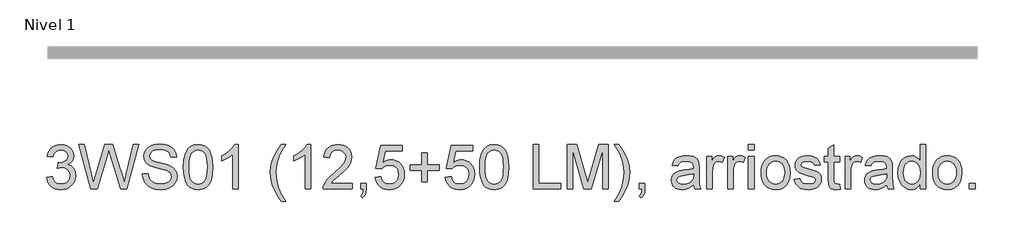
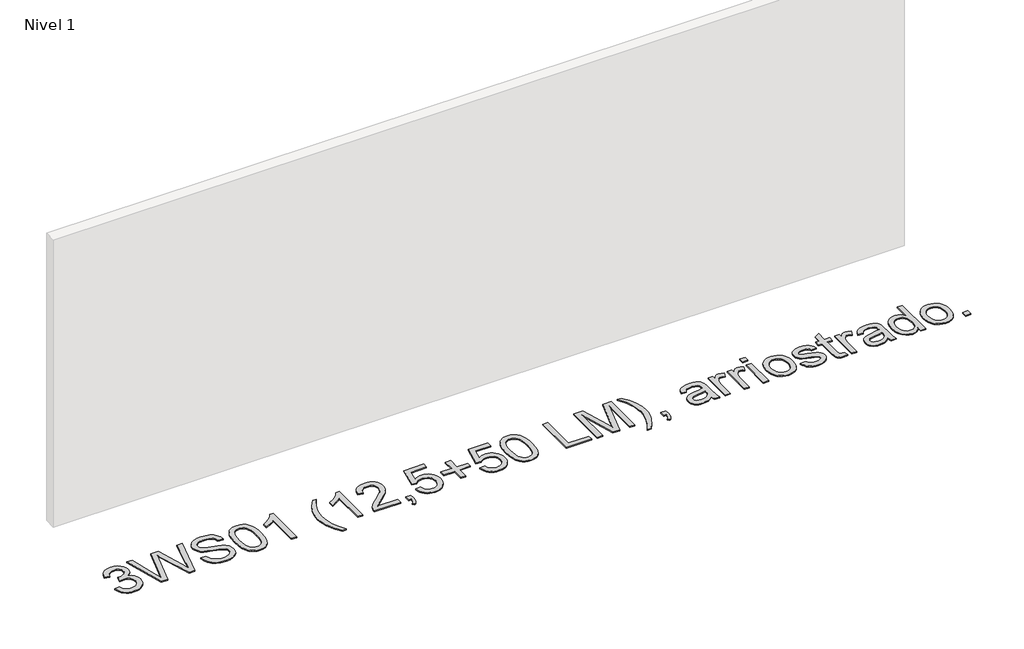
# One storey, part 12 of 13: 1 proxy.
"""IFC4 building model written with IfcOpenShell, lengths in millimetres."""

from ifc_helpers import new_model, si_unit, origin, origin_with_axes, place, context, project, spatial, polyline, outline, extrude, element, save

model = new_model("IFC4")

# Units and contexts
model_context = context("Model", 3, world=origin())
ifc_project = project(units=[si_unit("LENGTHUNIT", "METRE", prefix="MILLI")], contexts=[model_context])

# Site, building, storey
site = spatial("IfcSite", under=ifc_project)
building = spatial("IfcBuilding", under=site)
storey = spatial("IfcBuildingStorey", under=building, Name="Nivel 1", Elevation=0.0)

# Proxy
placement = place(None, origin())
element("IfcBuildingElementProxy", 1, Name="Texto de modelo 1", ObjectType="Texto de modelo 1", at=placement, inside=storey, context=model_context, shape_type="SweptSolid", body=[
    extrude(outline(polyline([(-13487.1652455, 5741.1553765), (-13436.9370905, 5747.4338959), (-13425.6921641, 5715.8696207), (-13409.2233135, 5694.5569905), (-13386.7211981, 5682.4168846), (-13357.3764776, 5678.3701827), (-13322.9427229, 5683.9374636), (-13308.6689015, 5690.8965646), (-13296.3571174, 5700.6393061), (-13279.3609692, 5725.5571799), (-13273.6955865, 5755.7725545), (-13279.3119183, 5784.4550874), (-13296.1609136, 5807.7174922), (-13321.6673986, 5823.1317478), (-13353.2561993, 5828.269833), (-13388.474769, 5822.7761285), (-13382.8829626, 5873.0042836), (-13374.8386097, 5872.4156724), (-13344.7458625, 5876.020916), (-13317.8414259, 5886.8366466), (-13306.7681778, 5895.0158897), (-13298.8587149, 5905.1326445), (-13294.1130372, 5917.1869112), (-13292.5311446, 5931.1786898), (-13297.1174068, 5952.8714648), (-13310.8761934, 5970.4684869), (-13331.8699926, 5982.1303461), (-13358.1612926, 5986.0176325), (-13384.5016434, 5982.0935579), (-13406.0350029, 5970.3213341), (-13421.7558268, 5950.700961), (-13430.6585711, 5923.2324387), (-13480.8867261, 5929.5109581), (-13474.9331692, 5953.4907328), (-13466.0978699, 5974.6132907), (-13454.3808284, 5992.8786317), (-13439.7820446, 6008.286756), (-13422.7613709, 6020.5188323), (-13403.77866, 6029.2560297), (-13382.8339117, 6034.4983481), (-13359.9271261, 6036.2457876), (-13328.3505882, 6032.7999596), (-13299.3492243, 6022.4624755), (-13274.8973343, 6006.1530404), (-13256.9692184, 5984.7913592), (-13245.9695468, 5960.1800537), (-13242.3029895, 5934.1217457), (-13245.7856058, 5909.8415341), (-13256.2334544, 5887.8176653), (-13273.4993827, 5869.0556835), (-13297.4362379, 5854.5611329), (-13265.99459, 5841.8569414), (-13242.695397, 5820.22548), (-13228.2744228, 5790.8439714), (-13223.4674314, 5754.8896377), (-13225.8709271, 5729.4076782), (-13233.0814142, 5705.9368069), (-13245.0988927, 5684.4770238), (-13261.9233626, 5665.028329), (-13282.4205211, 5648.8905722), (-13305.4560654, 5637.363603), (-13331.0299954, 5630.4474215), (-13359.1423112, 5628.1420276), (-13384.5506943, 5630.1101963), (-13407.7027346, 5636.0147023), (-13428.5984319, 5645.8555457), (-13447.2377863, 5659.6327264), (-13462.8666398, 5676.5369041), (-13474.7308341, 5695.7587383), (-13482.8303694, 5717.2982292), (-13487.1652455, 5741.1553765)])), origin_with_axes(), (0.0, 0.0, 1.0), 10.0),
    extrude(outline(polyline([(-13088.7735702, 5634.420547), (-13198.3533539, 6036.2457876), (-13146.5555689, 6036.2457876), (-13082.9855602, 5772.155566), (-13063.3651871, 5690.6329159), (-13042.3713879, 5762.7377869), (-12962.7126732, 6036.2457876), (-12888.0571537, 6036.2457876), (-12830.1770531, 5837.9819177), (-12805.3818066, 5764.4055186), (-12787.1103342, 5690.6329159), (-12768.0785723, 5769.8011212), (-12703.9199523, 6036.2457876), (-12652.1221674, 6036.2457876), (-12761.8000529, 5634.420547), (-12815.4617733, 5634.420547), (-12911.7978051, 5944.4224416), (-12925.2377606, 5987.6853642), (-12940.3454479, 5935.5932737), (-13028.1466174, 5634.420547), (-13088.7735702, 5634.420547)])), origin_with_axes(), (0.0, 0.0, 1.0), 10.0),
    extrude(outline(polyline([(-12620.7295705, 5772.5479735), (-12570.5014154, 5772.5479735), (-12564.7379308, 5744.674781), (-12554.3146076, 5722.2707675), (-12538.0542234, 5704.4898044), (-12514.7795559, 5690.4857631), (-12486.3300149, 5681.3990778), (-12454.5450105, 5678.3701827), (-12426.5614534, 5680.6633138), (-12402.0605126, 5687.5427071), (-12382.2071476, 5698.4320142), (-12368.1663181, 5712.7548865), (-12359.8153968, 5729.1992117), (-12357.0317563, 5746.4528773), (-12359.116421, 5763.2650845), (-12365.3704149, 5777.7964233), (-12378.0746065, 5790.1940465), (-12399.5098641, 5800.605107), (-12472.6448047, 5819.7840216), (-12520.6534051, 5832.4759505), (-12551.3715517, 5844.5547427), (-12576.3752646, 5861.452789), (-12594.094914, 5881.9315534), (-12604.6531273, 5905.5495775), (-12608.1725317, 5931.8654028), (-12603.8192614, 5961.2836997), (-12590.7594506, 5988.7154338), (-12569.3364558, 6011.9655759), (-12539.8936334, 6028.8390968), (-12504.5524364, 6039.1030044), (-12465.4343176, 6042.524307), (-12423.0543117, 6038.9435889), (-12385.9718066, 6028.2014346), (-12355.5111774, 6010.5185734), (-12332.9967993, 5986.1157344), (-12318.7475034, 5956.5134965), (-12313.0821207, 5923.2324387), (-12363.3102757, 5923.2324387), (-12372.5318511, 5953.2025586), (-12380.8950351, 5965.0606215), (-12391.7598167, 5974.8340199), (-12421.803513, 5987.9306189), (-12463.4722803, 5992.2961519), (-12506.1220663, 5987.9796698), (-12522.42537, 5982.5840672), (-12535.3809476, 5975.0302236), (-12552.3035194, 5955.9739363), (-12557.9443766, 5933.3369308), (-12553.9467256, 5914.0353888), (-12541.9537726, 5898.5107686), (-12513.6023335, 5884.6293547), (-12459.9406131, 5870.4536351), (-12404.5621101, 5856.9891541), (-12371.0603231, 5845.2414557), (-12342.4268411, 5827.0190342), (-12322.4508488, 5804.5291816), (-12310.7154132, 5778.0171525), (-12306.8036013, 5747.7282015), (-12311.3040243, 5716.7648003), (-12324.8052936, 5687.640809), (-12346.755586, 5662.5757824), (-12376.6030785, 5643.7892752), (-12412.4960985, 5632.0538395), (-12452.5829732, 5628.1420276), (-12501.7933215, 5632.3604078), (-12542.2971291, 5645.0155485), (-12574.5603801, 5666.1565005), (-12599.0490582, 5695.8323147), (-12614.7698822, 5731.9828521), (-12620.7295705, 5772.5479735)])), origin_with_axes(), (0.0, 0.0, 1.0), 10.0),
    extrude(outline(polyline([(-12250.2969268, 5832.0958057), (-12246.6058441, 5896.4138412), (-12235.5325961, 5947.7088541), (-12217.1875472, 5986.7656593), (-12205.3294843, 6001.9990395), (-12191.6810622, 6014.3690716), (-12176.1962959, 6023.9401349), (-12158.8292001, 6030.7766086), (-12118.4480197, 6036.2457876), (-12087.4968812, 6033.008426), (-12059.7831042, 6023.2963414), (-12036.6065385, 6007.4896783), (-12019.2670338, 5985.9685816), (-12006.1704348, 5958.9169922), (-11995.7225862, 5926.5188512), (-11988.879981, 5885.3773814), (-11986.5991127, 5832.0958057), (-11990.2534072, 5768.1456523), (-12001.2162906, 5716.9732667), (-12019.4509748, 5677.8796734), (-12031.2814467, 5662.6003078), (-12044.9206716, 5650.1658964), (-12060.4238321, 5640.5304538), (-12077.8461102, 5633.6479948), (-12118.4480197, 5628.1420276), (-12146.1127458, 5630.5332606), (-12170.6382121, 5637.7069595), (-12192.0244188, 5649.6631243), (-12210.2713657, 5666.4017551), (-12227.7825487, 5696.6600492), (-12240.2905365, 5734.3618224), (-12247.7953292, 5779.5070745), (-12250.2969268, 5832.0958057)]), holes=[polyline([(-12200.0687717, 5832.1939076), (-12198.5972438, 5788.5293805), (-12194.1826598, 5753.1851178), (-12186.8250199, 5726.1611196), (-12176.524324, 5707.4573858), (-12164.0653871, 5694.7317344), (-12150.2330241, 5685.6419835), (-12135.027235, 5680.1881329), (-12118.4480197, 5678.3701827), (-12101.8688045, 5680.1942643), (-12086.6630154, 5685.6665089), (-12072.8306523, 5694.7869167), (-12060.3717154, 5707.5554876), (-12050.0710196, 5726.2898783), (-12042.7133797, 5753.3077451), (-12038.2987957, 5788.6090882), (-12036.8272677, 5832.1939076), (-12038.2497448, 5874.7026722), (-12042.5171759, 5909.4246011), (-12049.6295612, 5936.3596945), (-12059.5869005, 5955.5079524), (-12071.837371, 5968.8559375), (-12085.8291495, 5978.3902125), (-12101.5622362, 5984.1107775), (-12119.0366309, 5986.0176325), (-12135.5300071, 5984.3376381), (-12150.4782788, 5979.2976548), (-12163.8814461, 5970.8976825), (-12175.7395091, 5959.1377214), (-12186.3835615, 5938.291075), (-12193.9864561, 5910.1848906), (-12198.5481928, 5874.8191681), (-12200.0687717, 5832.1939076)])]), origin_with_axes(), (0.0, 0.0, 1.0), 10.0),
    extrude(outline(polyline([(-11754.2938955, 5634.420547), (-11804.5220505, 5634.420547), (-11804.5220505, 5947.5617013), (-11825.4913243, 5930.6023413), (-11852.1014552, 5913.6675068), (-11904.9783607, 5888.3081746), (-11904.9783607, 5935.7894775), (-11865.5291481, 5957.2492605), (-11831.3529107, 5982.780271), (-11804.4116859, 6009.9299622), (-11786.667511, 6036.2457876), (-11754.2938955, 6036.2457876), (-11754.2938955, 5634.420547)])), origin_with_axes(), (0.0, 0.0, 1.0), 10.0),
    extrude(outline(polyline([(-11365.0256936, 5521.4071981), (-11403.9476087, 5576.0254116), (-11436.3457498, 5639.2275384), (-11449.0928609, 5673.2811484), (-11458.1979403, 5707.9478951), (-11463.6609879, 5743.2277784), (-11465.4820038, 5779.1207984), (-11460.0373502, 5841.5381103), (-11443.7033897, 5901.2576208), (-11411.2807231, 5968.898857), (-11365.0256936, 6036.2457876), (-11327.3545773, 6036.2457876), (-11374.3453708, 5956.6851748), (-11390.3850258, 5918.9159566), (-11402.5987081, 5879.5771086), (-11412.0900635, 5829.3244281), (-11415.2538487, 5778.8264928), (-11409.7601442, 5714.434881), (-11393.2790309, 5650.0677945), (-11365.8105085, 5585.7252336), (-11327.3545773, 5521.4071981), (-11365.0256936, 5521.4071981)])), origin_with_axes(), (0.0, 0.0, 1.0), 10.0),
    extrude(outline(polyline([(-11101.3278795, 5634.420547), (-11151.5560346, 5634.420547), (-11151.5560346, 5947.5617013), (-11172.5253083, 5930.6023413), (-11199.1354393, 5913.6675068), (-11252.0123447, 5888.3081746), (-11252.0123447, 5935.7894775), (-11212.5631321, 5957.2492605), (-11178.3868947, 5982.780271), (-11151.44567, 6009.9299622), (-11133.7014951, 6036.2457876), (-11101.3278795, 6036.2457876), (-11101.3278795, 5634.420547)])), origin_with_axes(), (0.0, 0.0, 1.0), 10.0),
    extrude(outline(polyline([(-10724.6167164, 5684.6487021), (-10724.6167164, 5634.420547), (-10988.3145306, 5634.420547), (-10987.2108846, 5652.1034082), (-10982.918928, 5669.0505055), (-10970.5335675, 5696.1143576), (-10952.4092478, 5722.3688693), (-10926.1915243, 5749.8496544), (-10889.5259521, 5780.5923264), (-10835.3246715, 5828.7358169), (-10802.8039031, 5864.2732176), (-10786.5435189, 5893.115166), (-10781.1233909, 5921.1722995), (-10786.2369506, 5946.3231653), (-10801.5776298, 5967.2311253), (-10825.1588657, 5981.3210057), (-10854.9940955, 5986.0176325), (-10886.3253788, 5981.4313703), (-10910.6669041, 5967.6725837), (-10926.3754653, 5945.8203932), (-10931.8078561, 5916.9539193), (-10982.0360112, 5923.2324387), (-10977.7164634, 5949.161988), (-10969.8591171, 5971.8173875), (-10958.4639723, 5991.1986373), (-10943.531029, 6007.3057373), (-10925.4036437, 6019.9670093), (-10904.4251729, 6029.010775), (-10880.5956167, 6034.4370345), (-10853.914975, 6036.2457876), (-10826.99521, 6034.2346994), (-10803.0368951, 6028.2014346), (-10782.0400302, 6018.1459934), (-10764.0046154, 6004.0683758), (-10749.5192618, 5987.0109139), (-10739.1725807, 5968.0159402), (-10732.964572, 5947.0834547), (-10730.8952358, 5924.2134573), (-10733.1270532, 5900.1907631), (-10739.8225056, 5876.5850017), (-10751.705094, 5852.5745701), (-10769.4983198, 5827.3378653), (-10797.8620217, 5797.2083299), (-10841.4560381, 5758.5194067), (-10899.2380368, 5710.204238), (-10921.8995677, 5684.6487021), (-10724.6167164, 5684.6487021)])), origin_with_axes(), (0.0, 0.0, 1.0), 10.0),
    extrude(outline(polyline([(-10649.2744838, 5634.420547), (-10649.2744838, 5684.6487021), (-10599.0463287, 5684.6487021), (-10599.0463287, 5634.420547), (-10601.3026716, 5605.6889632), (-10608.0717003, 5583.0642205), (-10619.7458223, 5565.712453), (-10636.717445, 5552.799795), (-10649.2744838, 5571.6353532), (-10638.3851767, 5580.7343012), (-10630.8313331, 5593.3158654), (-10626.2450709, 5610.753472), (-10624.2585081, 5634.420547), (-10649.2744838, 5634.420547)])), origin_with_axes(), (0.0, 0.0, 1.0), 10.0),
    extrude(outline(polyline([(-10517.4255767, 5741.1553765), (-10467.1974217, 5747.4338959), (-10457.9758463, 5717.2798351), (-10441.8871404, 5695.6851619), (-10419.0048803, 5682.6989275), (-10389.4026424, 5678.3701827), (-10370.2727787, 5679.8754332), (-10353.3992578, 5684.3911847), (-10338.7820799, 5691.9174372), (-10326.4212448, 5702.4541906), (-10316.5926642, 5715.480279), (-10309.5722495, 5730.4745359), (-10303.9559177, 5766.3675559), (-10309.2166302, 5800.1636486), (-10315.7925209, 5814.0818507), (-10324.9987678, 5826.0134901), (-10336.8660278, 5835.5845533), (-10351.4249578, 5842.4210271), (-10388.6178275, 5847.8902061), (-10412.9838783, 5845.7074396), (-10432.714616, 5839.1591401), (-10448.4722281, 5829.1282243), (-10460.9189023, 5816.4976092), (-10511.1470573, 5822.7761285), (-10467.1974217, 6029.9672682), (-10272.5633207, 6029.9672682), (-10272.5633207, 5979.7391131), (-10426.5832494, 5979.7391131), (-10448.0675579, 5869.080209), (-10430.3417771, 5881.7844006), (-10412.1868006, 5890.8588231), (-10393.6026285, 5896.3034766), (-10374.5892607, 5898.1183612), (-10350.1281737, 5895.8681496), (-10327.6597809, 5889.117515), (-10307.1840822, 5877.8664573), (-10288.7010776, 5862.1149766), (-10273.4002523, 5842.8256973), (-10262.4710913, 5820.961244), (-10255.9135948, 5796.5216168), (-10253.7277626, 5769.5068156), (-10255.6959313, 5743.4852958), (-10261.6004373, 5719.2786606), (-10271.4412807, 5696.8869098), (-10285.2184614, 5676.3100435), (-10306.0896332, 5655.2365366), (-10330.4434213, 5640.1840316), (-10358.2798256, 5631.1525286), (-10389.5988461, 5628.1420276), (-10415.5191984, 5630.0764738), (-10438.9318217, 5635.8798123), (-10459.8367161, 5645.552043), (-10478.2338815, 5659.0931662), (-10493.5408382, 5675.8287312), (-10505.1751063, 5695.084288), (-10513.1366858, 5716.8598364), (-10517.4255767, 5741.1553765)])), origin_with_axes(), (0.0, 0.0, 1.0), 10.0),
    extrude(outline(polyline([(-10096.764778, 5697.2057409), (-10096.764778, 5803.9405704), (-10203.4996075, 5803.9405704), (-10203.4996075, 5854.1687255), (-10096.764778, 5854.1687255), (-10096.764778, 5960.903555), (-10046.5366229, 5960.903555), (-10046.5366229, 5854.1687255), (-9939.8017934, 5854.1687255), (-9939.8017934, 5803.9405704), (-10046.5366229, 5803.9405704), (-10046.5366229, 5697.2057409), (-10096.764778, 5697.2057409)])), origin_with_axes(), (0.0, 0.0, 1.0), 10.0),
    extrude(outline(polyline([(-9883.2951189, 5741.1553765), (-9833.0669638, 5747.4338959), (-9823.8453885, 5717.2798351), (-9807.7566826, 5695.6851619), (-9784.8744225, 5682.6989275), (-9755.2721846, 5678.3701827), (-9736.1423208, 5679.8754332), (-9719.2688, 5684.3911847), (-9704.6516221, 5691.9174372), (-9692.290787, 5702.4541906), (-9682.4622064, 5715.480279), (-9675.4417916, 5730.4745359), (-9669.8254598, 5766.3675559), (-9675.0861724, 5800.1636486), (-9681.662063, 5814.0818507), (-9690.86831, 5826.0134901), (-9702.73557, 5835.5845533), (-9717.2945, 5842.4210271), (-9754.4873697, 5847.8902061), (-9778.8534205, 5845.7074396), (-9798.5841582, 5839.1591401), (-9814.3417703, 5829.1282243), (-9826.7884445, 5816.4976092), (-9877.0165995, 5822.7761285), (-9833.0669638, 6029.9672682), (-9638.4328629, 6029.9672682), (-9638.4328629, 5979.7391131), (-9792.4527916, 5979.7391131), (-9813.9371001, 5869.080209), (-9796.2113193, 5881.7844006), (-9778.0563428, 5890.8588231), (-9759.4721707, 5896.3034766), (-9740.4588029, 5898.1183612), (-9715.9977159, 5895.8681496), (-9693.5293231, 5889.117515), (-9673.0536244, 5877.8664573), (-9654.5706198, 5862.1149766), (-9639.2697945, 5842.8256973), (-9628.3406335, 5820.961244), (-9621.783137, 5796.5216168), (-9619.5973048, 5769.5068156), (-9621.5654734, 5743.4852958), (-9627.4699795, 5719.2786606), (-9637.3108228, 5696.8869098), (-9651.0880036, 5676.3100435), (-9671.9591754, 5655.2365366), (-9696.3129635, 5640.1840316), (-9724.1493678, 5631.1525286), (-9755.4683883, 5628.1420276), (-9781.3887406, 5630.0764738), (-9804.8013639, 5635.8798123), (-9825.7062583, 5645.552043), (-9844.1034237, 5659.0931662), (-9859.4103804, 5675.8287312), (-9871.0446485, 5695.084288), (-9879.006228, 5716.8598364), (-9883.2951189, 5741.1553765)])), origin_with_axes(), (0.0, 0.0, 1.0), 10.0),
    extrude(outline(polyline([(-9575.6476691, 5832.0958057), (-9571.9565864, 5896.4138412), (-9560.8833383, 5947.7088541), (-9542.5382895, 5986.7656593), (-9530.6802265, 6001.9990395), (-9517.0318045, 6014.3690716), (-9501.5470382, 6023.9401349), (-9484.1799423, 6030.7766086), (-9443.798762, 6036.2457876), (-9412.8476235, 6033.008426), (-9385.1338465, 6023.2963414), (-9361.9572808, 6007.4896783), (-9344.6177761, 5985.9685816), (-9331.5211771, 5958.9169922), (-9321.0733284, 5926.5188512), (-9314.2307233, 5885.3773814), (-9311.9498549, 5832.0958057), (-9315.6041494, 5768.1456523), (-9326.5670329, 5716.9732667), (-9344.8017171, 5677.8796734), (-9356.6321889, 5662.6003078), (-9370.2714139, 5650.1658964), (-9385.7745743, 5640.5304538), (-9403.1968525, 5633.6479948), (-9443.798762, 5628.1420276), (-9471.463488, 5630.5332606), (-9495.9889544, 5637.7069595), (-9517.375161, 5649.6631243), (-9535.622108, 5666.4017551), (-9553.133291, 5696.6600492), (-9565.6412788, 5734.3618224), (-9573.1460715, 5779.5070745), (-9575.6476691, 5832.0958057)]), holes=[polyline([(-9525.419514, 5832.1939076), (-9523.947986, 5788.5293805), (-9519.5334021, 5753.1851178), (-9512.1757622, 5726.1611196), (-9501.8750663, 5707.4573858), (-9489.4161294, 5694.7317344), (-9475.5837664, 5685.6419835), (-9460.3779773, 5680.1881329), (-9443.798762, 5678.3701827), (-9427.2195468, 5680.1942643), (-9412.0137576, 5685.6665089), (-9398.1813946, 5694.7869167), (-9385.7224577, 5707.5554876), (-9375.4217618, 5726.2898783), (-9368.0641219, 5753.3077451), (-9363.649538, 5788.6090882), (-9362.17801, 5832.1939076), (-9363.6004871, 5874.7026722), (-9367.8679182, 5909.4246011), (-9374.9803034, 5936.3596945), (-9384.9376428, 5955.5079524), (-9397.1881132, 5968.8559375), (-9411.1798918, 5978.3902125), (-9426.9129784, 5984.1107775), (-9444.3873732, 5986.0176325), (-9460.8807493, 5984.3376381), (-9475.8290211, 5979.2976548), (-9489.2321884, 5970.8976825), (-9501.0902514, 5959.1377214), (-9511.7343038, 5938.291075), (-9519.3371984, 5910.1848906), (-9523.8989351, 5874.8191681), (-9525.419514, 5832.1939076)])]), origin_with_axes(), (0.0, 0.0, 1.0), 10.0),
    extrude(outline(polyline([(-9092.2016765, 5634.420547), (-9092.2016765, 6036.2457876), (-9041.9735214, 6036.2457876), (-9041.9735214, 5684.6487021), (-8841.0609011, 5684.6487021), (-8841.0609011, 5634.420547), (-9092.2016765, 5634.420547)])), origin_with_axes(), (0.0, 0.0, 1.0), 10.0),
    extrude(outline(polyline([(-8784.5542267, 5634.420547), (-8784.5542267, 6036.2457876), (-8698.1264833, 6036.2457876), (-8615.9171201, 5753.0257023), (-8599.3379048, 5693.8702774), (-8581.3852635, 5757.9307955), (-8500.5493264, 6036.2457876), (-8414.121583, 6036.2457876), (-8414.121583, 5634.420547), (-8464.3497381, 5634.420547), (-8464.3497381, 5986.0176325), (-8565.2965575, 5634.420547), (-8633.3792521, 5634.420547), (-8734.3260716, 5986.0176325), (-8734.3260716, 5634.420547), (-8784.5542267, 5634.420547)])), origin_with_axes(), (0.0, 0.0, 1.0), 10.0),
    extrude(outline(polyline([(-8319.9437922, 5521.4071981), (-8357.6149085, 5521.4071981), (-8319.1589773, 5585.7252336), (-8291.690455, 5650.0677945), (-8275.2093416, 5714.434881), (-8269.7156371, 5778.8264928), (-8272.8794223, 5828.9565461), (-8282.3707778, 5878.6941918), (-8294.3637308, 5918.1066162), (-8310.3298094, 5955.9003599), (-8357.6149085, 6036.2457876), (-8319.9437922, 6036.2457876), (-8273.6887627, 5968.898857), (-8241.2660962, 5901.2576208), (-8224.9321356, 5841.5381103), (-8219.4874821, 5779.1207984), (-8221.317695, 5743.2277784), (-8226.8083338, 5707.9478951), (-8235.9593984, 5673.2811484), (-8248.7708889, 5639.2275384), (-8281.2058181, 5576.0254116), (-8319.9437922, 5521.4071981)])), origin_with_axes(), (0.0, 0.0, 1.0), 10.0),
    extrude(outline(polyline([(-8131.5882107, 5634.420547), (-8131.5882107, 5684.6487021), (-8081.3600556, 5684.6487021), (-8081.3600556, 5634.420547), (-8083.6163985, 5605.6889632), (-8090.3854272, 5583.0642205), (-8102.0595492, 5565.712453), (-8119.0311719, 5552.799795), (-8131.5882107, 5571.6353532), (-8120.6989036, 5580.7343012), (-8113.14506, 5593.3158654), (-8108.5587978, 5610.753472), (-8106.572235, 5634.420547), (-8131.5882107, 5634.420547)])), origin_with_axes(), (0.0, 0.0, 1.0), 10.0),
    extrude(outline(polyline([(-7641.8636987, 5672.0916633), (-7665.8618675, 5651.5147971), (-7690.5712749, 5638.050316), (-7716.5560065, 5630.6190997), (-7744.380148, 5628.1420276), (-7766.7443076, 5629.6319497), (-7786.3554837, 5634.1017159), (-7803.2136761, 5641.5513263), (-7817.3188849, 5651.9807809), (-7828.4565123, 5664.727892), (-7836.4119605, 5679.1304722), (-7841.1852294, 5695.1885212), (-7842.776319, 5712.9020393), (-7840.3728233, 5733.7241602), (-7833.1623362, 5752.6332948), (-7822.0400372, 5768.8201026), (-7807.9011059, 5781.4752432), (-7791.2851024, 5791.0401751), (-7772.7315871, 5797.9563566), (-7729.2724608, 5805.5102002), (-7677.9161342, 5813.4564513), (-7642.1580043, 5822.7761285), (-7641.8636987, 5833.9597412), (-7645.3217895, 5856.3760174), (-7655.6960617, 5871.0422463), (-7678.8971529, 5881.9315534), (-7711.2217175, 5885.5613224), (-7741.1427865, 5883.1455639), (-7762.0384838, 5875.8982886), (-7776.2877797, 5862.4951213), (-7786.2696445, 5841.6116867), (-7836.4977996, 5847.8902061), (-7827.7789963, 5875.3587284), (-7814.7682364, 5896.9411388), (-7796.2515093, 5913.4467776), (-7771.0148045, 5925.6849853), (-7740.1495051, 5933.2633544), (-7704.7469944, 5935.7894775), (-7670.7914863, 5933.55766), (-7643.8747869, 5926.8622077), (-7623.5799635, 5916.7945038), (-7609.4900831, 5904.4459315), (-7600.1458804, 5889.1788287), (-7594.0880903, 5870.3555332), (-7591.6355436, 5826.4058976), (-7591.6355436, 5763.9150093), (-7589.0848951, 5676.6534001), (-7579.0785049, 5634.420547), (-7629.3066599, 5634.420547), (-7637.3510129, 5651.882679), (-7641.8636987, 5672.0916633)]), holes=[polyline([(-7641.8636987, 5772.5479735), (-7675.6107404, 5764.1847894), (-7722.8958395, 5757.1459806), (-7766.1097112, 5749.0035258), (-7777.3546375, 5743.4362449), (-7785.6810333, 5735.7597739), (-7790.8313813, 5726.5627241), (-7792.5481639, 5716.4337065), (-7788.8080303, 5701.4976975), (-7777.5876295, 5689.2594898), (-7759.132216, 5681.0925095), (-7733.6870447, 5678.3701827), (-7706.7090317, 5681.3745523), (-7682.8702784, 5690.3876612), (-7663.544211, 5703.6682012), (-7650.1042554, 5719.4748643), (-7644.1445671, 5735.7597739), (-7642.1580043, 5758.323203), (-7641.8636987, 5772.5479735)])]), origin_with_axes(), (0.0, 0.0, 1.0), 10.0),
    extrude(outline(polyline([(-7522.5718304, 5634.420547), (-7522.5718304, 5929.5109581), (-7478.6221947, 5929.5109581), (-7478.6221947, 5885.855628), (-7462.386336, 5911.1659092), (-7447.4258015, 5926.0773928), (-7432.4162161, 5933.3614563), (-7416.0332046, 5935.7894775), (-7391.0172289, 5931.9144538), (-7365.6088458, 5920.2893827), (-7382.3842648, 5875.2606265), (-7400.0426005, 5882.9861484), (-7417.7009363, 5885.5613224), (-7432.698259, 5883.0842503), (-7446.1014263, 5875.653034), (-7456.9294197, 5863.8317592), (-7464.2012205, 5848.1845117), (-7470.3080616, 5820.1273782), (-7472.3436753, 5789.5195962), (-7472.3436753, 5634.420547), (-7522.5718304, 5634.420547)])), origin_with_axes(), (0.0, 0.0, 1.0), 10.0),
    extrude(outline(polyline([(-7334.2162489, 5634.420547), (-7334.2162489, 5929.5109581), (-7290.2666132, 5929.5109581), (-7290.2666132, 5885.855628), (-7274.0307545, 5911.1659092), (-7259.07022, 5926.0773928), (-7244.0606346, 5933.3614563), (-7227.6776231, 5935.7894775), (-7202.6616474, 5931.9144538), (-7177.2532643, 5920.2893827), (-7194.0286832, 5875.2606265), (-7211.687019, 5882.9861484), (-7229.3453548, 5885.5613224), (-7244.3426774, 5883.0842503), (-7257.7458448, 5875.653034), (-7268.5738382, 5863.8317592), (-7275.845639, 5848.1845117), (-7281.9524801, 5820.1273782), (-7283.9880938, 5789.5195962), (-7283.9880938, 5634.420547), (-7334.2162489, 5634.420547)])), origin_with_axes(), (0.0, 0.0, 1.0), 10.0),
    extrude(outline(polyline([(-7145.8606673, 5986.0176325), (-7145.8606673, 6036.2457876), (-7095.6325123, 6036.2457876), (-7095.6325123, 5986.0176325), (-7145.8606673, 5986.0176325)])), origin_with_axes(), (0.0, 0.0, 1.0), 10.0),
    extrude(outline(polyline([(-7145.8606673, 5634.420547), (-7145.8606673, 5929.5109581), (-7095.6325123, 5929.5109581), (-7095.6325123, 5634.420547), (-7145.8606673, 5634.420547)])), origin_with_axes(), (0.0, 0.0, 1.0), 10.0),
    extrude(outline(polyline([(-7032.8473184, 5781.9657525), (-7030.131123, 5820.1825605), (-7021.9825368, 5853.1141304), (-7008.4015598, 5880.7604623), (-6989.3881921, 5903.1215563), (-6970.2460656, 5917.4137718), (-6949.1173763, 5927.6224972), (-6926.0021243, 5933.7477324), (-6900.9003095, 5935.7894775), (-6873.1895982, 5933.3032083), (-6848.1337686, 5925.8444009), (-6825.7328208, 5913.4130551), (-6805.9867547, 5896.009171), (-6789.8704577, 5874.2213599), (-6778.3588169, 5848.6382328), (-6771.4518324, 5819.2597898), (-6769.1495043, 5786.0860309), (-6773.2207317, 5735.342841), (-6785.4344139, 5696.7152315), (-6805.4349317, 5667.787444), (-6832.8666658, 5646.1437199), (-6865.4487479, 5632.6424507), (-6900.9003095, 5628.1420276), (-6929.015691, 5630.6190997), (-6954.3045124, 5638.050316), (-6976.7667739, 5650.4356765), (-6996.4024754, 5667.7751812), (-7012.3470942, 5689.7745245), (-7023.7361077, 5716.1394009), (-7030.5695157, 5746.8698102), (-7032.8473184, 5781.9657525)]), holes=[polyline([(-6982.6191633, 5782.0638544), (-6981.1660295, 5757.7008693), (-6976.8066278, 5736.6059025), (-6969.5409584, 5718.7789542), (-6959.3690212, 5704.2200242), (-6946.9959235, 5692.9107186), (-6933.1267723, 5684.8326431), (-6917.7615676, 5679.9857978), (-6900.9003095, 5678.3701827), (-6884.1248905, 5679.9949948), (-6868.8209995, 5684.8694313), (-6854.9886365, 5692.993492), (-6842.6278014, 5704.367177), (-6832.4558643, 5719.0701941), (-6825.1901949, 5737.182251), (-6820.8307932, 5758.7033477), (-6819.3776594, 5783.6334843), (-6820.8399903, 5807.2239172), (-6825.2269831, 5827.7670609), (-6832.5386377, 5845.2629155), (-6842.7749542, 5859.7114809), (-6855.1817745, 5871.0207865), (-6869.0049405, 5879.098862), (-6884.2444522, 5883.9457073), (-6900.9003095, 5885.5613224), (-6917.7615676, 5883.9518387), (-6933.1267723, 5879.1233875), (-6946.9959235, 5871.0759688), (-6959.3690212, 5859.8095827), (-6969.5409584, 5845.2935723), (-6976.8066278, 5827.4972808), (-6981.1660295, 5806.4207082), (-6982.6191633, 5782.0638544)])]), origin_with_axes(), (0.0, 0.0, 1.0), 10.0),
    extrude(outline(polyline([(-6731.478388, 5722.3198184), (-6681.2502329, 5728.5983378), (-6673.3285073, 5707.1140293), (-6658.0000908, 5691.3196289), (-6635.1668816, 5681.6075443), (-6604.7307779, 5678.3701827), (-6574.6625562, 5681.3377641), (-6553.5216042, 5690.2405084), (-6541.0136163, 5703.1409037), (-6536.8442871, 5718.1014382), (-6541.0381418, 5730.9037316), (-6553.619706, 5740.6648672), (-6605.3193891, 5754.9877396), (-6680.9559273, 5779.5622568), (-6700.0980538, 5791.9108291), (-6713.967205, 5808.2570525), (-6722.3917027, 5827.5585945), (-6725.1998686, 5848.7731229), (-6722.9435257, 5868.2340804), (-6716.174497, 5886.1989845), (-6705.5059191, 5901.9565966), (-6691.5509288, 5914.7956783), (-6659.6187716, 5929.6581109), (-6638.735337, 5934.2566358), (-6616.4048999, 5935.7894775), (-6583.7124532, 5933.3246681), (-6555.2874377, 5925.93024), (-6532.4297031, 5914.3296944), (-6516.4390991, 5899.2465326), (-6505.8440976, 5879.5648459), (-6499.1731707, 5854.1687255), (-6549.4013258, 5847.8902061), (-6555.7411589, 5863.6968691), (-6568.2859349, 5875.603983), (-6587.1582813, 5883.0719875), (-6612.4808253, 5885.5613224), (-6641.3227737, 5883.1823521), (-6660.5507393, 5876.0454414), (-6671.36647, 5865.7447456), (-6674.9717135, 5853.8744199), (-6668.9874997, 5839.2572419), (-6650.2500434, 5828.1717311), (-6606.9871208, 5817.4786278), (-6533.263569, 5793.8360783), (-6513.7903487, 5782.5298383), (-6499.026018, 5767.054269), (-6489.7186035, 5747.3603195), (-6486.616132, 5723.3989389), (-6490.2581637, 5698.6282179), (-6501.184259, 5675.3290249), (-6518.9774848, 5655.3285071), (-6543.2209083, 5640.4538117), (-6572.5043151, 5631.2199736), (-6605.417491, 5628.1420276), (-6632.4506862, 5629.6258183), (-6656.062579, 5634.0771905), (-6676.2531691, 5641.496144), (-6693.0224567, 5651.882679), (-6706.7199297, 5665.1877445), (-6717.6950759, 5681.3622896), (-6725.9478953, 5700.4063142), (-6731.478388, 5722.3198184)])), origin_with_axes(), (0.0, 0.0, 1.0), 10.0),
    extrude(outline(polyline([(-6323.374628, 5676.3100435), (-6317.0961086, 5632.949019), (-6354.669123, 5628.1420276), (-6378.7776565, 5630.2266923), (-6396.7548233, 5636.4806862), (-6409.4590149, 5646.1191945), (-6417.7486225, 5658.3574022), (-6422.3103592, 5679.3757268), (-6423.8309381, 5715.3545859), (-6423.8309381, 5879.282803), (-6461.5020544, 5879.282803), (-6461.5020544, 5929.5109581), (-6423.8309381, 5929.5109581), (-6423.8309381, 6001.2234217), (-6373.6027831, 6030.7520831), (-6373.6027831, 5929.5109581), (-6323.374628, 5929.5109581), (-6323.374628, 5879.282803), (-6373.6027831, 5879.282803), (-6373.6027831, 5716.8261139), (-6370.9540327, 5690.9272215), (-6362.3701195, 5681.7546971), (-6345.251344, 5678.3701827), (-6323.374628, 5676.3100435)])), origin_with_axes(), (0.0, 0.0, 1.0), 10.0),
    extrude(outline(polyline([(-6273.1464729, 5634.420547), (-6273.1464729, 5929.5109581), (-6229.1968372, 5929.5109581), (-6229.1968372, 5885.855628), (-6212.9609785, 5911.1659092), (-6198.000444, 5926.0773928), (-6182.9908586, 5933.3614563), (-6166.6078471, 5935.7894775), (-6141.5918714, 5931.9144538), (-6116.1834883, 5920.2893827), (-6132.9589073, 5875.2606265), (-6150.6172431, 5882.9861484), (-6168.2755788, 5885.5613224), (-6183.2729015, 5883.0842503), (-6196.6760688, 5875.653034), (-6207.5040622, 5863.8317592), (-6214.775863, 5848.1845117), (-6220.8827041, 5820.1273782), (-6222.9183178, 5789.5195962), (-6222.9183178, 5634.420547), (-6273.1464729, 5634.420547)])), origin_with_axes(), (0.0, 0.0, 1.0), 10.0),
    extrude(outline(polyline([(-5896.4353099, 5672.0916633), (-5920.4334787, 5651.5147971), (-5945.142886, 5638.050316), (-5971.1276176, 5630.6190997), (-5998.9517592, 5628.1420276), (-6021.3159188, 5629.6319497), (-6040.9270948, 5634.1017159), (-6057.7852873, 5641.5513263), (-6071.8904961, 5651.9807809), (-6083.0281235, 5664.727892), (-6090.9835716, 5679.1304722), (-6095.7568405, 5695.1885212), (-6097.3479302, 5712.9020393), (-6094.9444344, 5733.7241602), (-6087.7339473, 5752.6332948), (-6076.6116484, 5768.8201026), (-6062.472717, 5781.4752432), (-6045.8567136, 5791.0401751), (-6027.3031983, 5797.9563566), (-5983.8440719, 5805.5102002), (-5932.4877454, 5813.4564513), (-5896.7296154, 5822.7761285), (-5896.4353099, 5833.9597412), (-5899.8934006, 5856.3760174), (-5910.2676729, 5871.0422463), (-5933.468764, 5881.9315534), (-5965.7933287, 5885.5613224), (-5995.7143976, 5883.1455639), (-6016.6100949, 5875.8982886), (-6030.8593909, 5862.4951213), (-6040.8412557, 5841.6116867), (-6091.0694108, 5847.8902061), (-6082.3506075, 5875.3587284), (-6069.3398476, 5896.9411388), (-6050.8231205, 5913.4467776), (-6025.5864156, 5925.6849853), (-5994.7211162, 5933.2633544), (-5959.3186056, 5935.7894775), (-5925.3630974, 5933.55766), (-5898.4463981, 5926.8622077), (-5878.1515747, 5916.7945038), (-5864.0616943, 5904.4459315), (-5854.7174916, 5889.1788287), (-5848.6597014, 5870.3555332), (-5846.2071548, 5826.4058976), (-5846.2071548, 5763.9150093), (-5843.6565063, 5676.6534001), (-5833.650116, 5634.420547), (-5883.8782711, 5634.420547), (-5891.922624, 5651.882679), (-5896.4353099, 5672.0916633)]), holes=[polyline([(-5896.4353099, 5772.5479735), (-5930.1823515, 5764.1847894), (-5977.4674507, 5757.1459806), (-6020.6813224, 5749.0035258), (-6031.9262487, 5743.4362449), (-6040.2526445, 5735.7597739), (-6045.4029924, 5726.5627241), (-6047.1197751, 5716.4337065), (-6043.3796415, 5701.4976975), (-6032.1592406, 5689.2594898), (-6013.7038272, 5681.0925095), (-5988.2586558, 5678.3701827), (-5961.2806429, 5681.3745523), (-5937.4418896, 5690.3876612), (-5918.1158221, 5703.6682012), (-5904.6758665, 5719.4748643), (-5898.7161782, 5735.7597739), (-5896.7296154, 5758.323203), (-5896.4353099, 5772.5479735)])]), origin_with_axes(), (0.0, 0.0, 1.0), 10.0),
    extrude(outline(polyline([(-5595.0663794, 5634.420547), (-5595.0663794, 5681.803748), (-5610.0943589, 5658.3267453), (-5628.2983863, 5641.5574577), (-5649.6784616, 5631.4958851), (-5674.2345848, 5628.1420276), (-5706.7063022, 5632.99807), (-5736.4311674, 5647.566197), (-5761.5942959, 5670.8286018), (-5780.3808031, 5701.7674776), (-5792.0794506, 5739.1320256), (-5795.9789997, 5781.6714469), (-5792.3860189, 5823.6835708), (-5781.6070764, 5861.6244672), (-5763.6544351, 5893.3358952), (-5738.5403575, 5916.6596137), (-5708.1655675, 5931.0070115), (-5674.4307885, 5935.7894775), (-5649.8562712, 5932.3681749), (-5628.126708, 5922.1042672), (-5609.7080828, 5906.3711806), (-5595.0663794, 5886.542341), (-5595.0663794, 6036.2457876), (-5544.8382243, 6036.2457876), (-5544.8382243, 5634.420547), (-5595.0663794, 5634.420547)]), holes=[polyline([(-5745.7508446, 5781.8676507), (-5744.3344989, 5757.5107969), (-5740.0854619, 5736.4342243), (-5733.0037335, 5718.6379328), (-5723.0893137, 5704.1219224), (-5698.3921691, 5684.8081176), (-5684.5168865, 5679.9796664), (-5669.6237971, 5678.3701827), (-5654.6601969, 5679.90609), (-5640.8676878, 5684.513812), (-5616.7959426, 5702.9447), (-5607.2892587, 5716.8537051), (-5600.4987702, 5734.0062031), (-5595.0663794, 5778.0416779), (-5600.5968721, 5826.1851684), (-5607.5099879, 5844.7202896), (-5617.18835, 5859.5643281), (-5628.8900632, 5870.9380131), (-5641.8732319, 5879.0620738), (-5656.1378563, 5883.9365102), (-5671.6839363, 5885.5613224), (-5686.8713313, 5884.0008896), (-5700.7466139, 5879.3195912), (-5713.309784, 5871.5174272), (-5724.5608417, 5860.5943976), (-5733.831468, 5846.3113792), (-5740.4533439, 5828.4292485), (-5745.7508446, 5781.8676507)])]), origin_with_axes(), (0.0, 0.0, 1.0), 10.0),
    extrude(outline(polyline([(-5482.0530305, 5781.9657525), (-5479.3368351, 5820.1825605), (-5471.1882489, 5853.1141304), (-5457.6072719, 5880.7604623), (-5438.5939041, 5903.1215563), (-5419.4517776, 5917.4137718), (-5398.3230884, 5927.6224972), (-5375.2078364, 5933.7477324), (-5350.1060215, 5935.7894775), (-5322.3953103, 5933.3032083), (-5297.3394807, 5925.8444009), (-5274.9385329, 5913.4130551), (-5255.1924668, 5896.009171), (-5239.0761697, 5874.2213599), (-5227.564529, 5848.6382328), (-5220.6575445, 5819.2597898), (-5218.3552163, 5786.0860309), (-5222.4264438, 5735.342841), (-5234.640126, 5696.7152315), (-5254.6406438, 5667.787444), (-5282.0723779, 5646.1437199), (-5314.6544599, 5632.6424507), (-5350.1060215, 5628.1420276), (-5378.221403, 5630.6190997), (-5403.5102245, 5638.050316), (-5425.972486, 5650.4356765), (-5445.6081875, 5667.7751812), (-5461.5528063, 5689.7745245), (-5472.9418197, 5716.1394009), (-5479.7752278, 5746.8698102), (-5482.0530305, 5781.9657525)]), holes=[polyline([(-5431.8248754, 5782.0638544), (-5430.3717415, 5757.7008693), (-5426.0123399, 5736.6059025), (-5418.7466705, 5718.7789542), (-5408.5747333, 5704.2200242), (-5396.2016355, 5692.9107186), (-5382.3324843, 5684.8326431), (-5366.9672797, 5679.9857978), (-5350.1060215, 5678.3701827), (-5333.3306026, 5679.9949948), (-5318.0267116, 5684.8694313), (-5304.1943486, 5692.993492), (-5291.8335135, 5704.367177), (-5281.6615763, 5719.0701941), (-5274.3959069, 5737.182251), (-5270.0365053, 5758.7033477), (-5268.5833714, 5783.6334843), (-5270.0457023, 5807.2239172), (-5274.4326951, 5827.7670609), (-5281.7443498, 5845.2629155), (-5291.9806663, 5859.7114809), (-5304.3874866, 5871.0207865), (-5318.2106526, 5879.098862), (-5333.4501642, 5883.9457073), (-5350.1060215, 5885.5613224), (-5366.9672797, 5883.9518387), (-5382.3324843, 5879.1233875), (-5396.2016355, 5871.0759688), (-5408.5747333, 5859.8095827), (-5418.7466705, 5845.2935723), (-5426.0123399, 5827.4972808), (-5430.3717415, 5806.4207082), (-5431.8248754, 5782.0638544)])]), origin_with_axes(), (0.0, 0.0, 1.0), 10.0),
    extrude(outline(polyline([(-5149.2915031, 5634.420547), (-5149.2915031, 5684.6487021), (-5099.063348, 5684.6487021), (-5099.063348, 5634.420547), (-5149.2915031, 5634.420547)])), origin_with_axes(), (0.0, 0.0, 1.0), 10.0),
])

save(model, "model.ifc")
